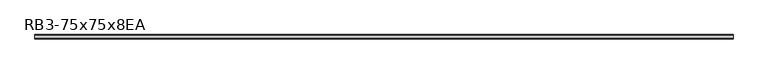
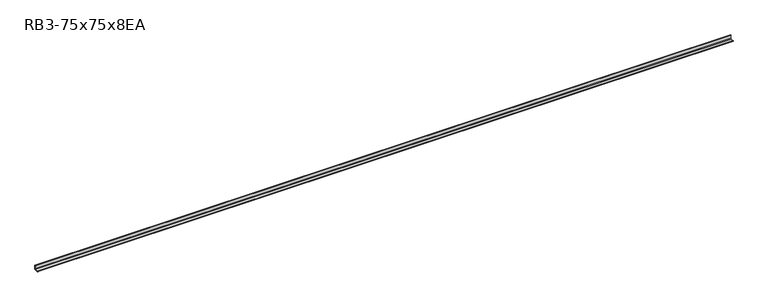
"""IFC4 building model written with IfcOpenShell, lengths in millimetres: member geometry, RB3-75x75x8EA."""

from ifc_helpers import new_model, si_unit, point, frame, frame_2d, origin, place, context, project, spatial, polyline, circle_curve, trimmed, segment, composite_curve, outline, extrude, source, transform, mapped, element, save


def rb3_75x75x8ea_92205f8a(model_context):
    return source(origin(), model_context, "Body", "SweptSolid", [
        extrude(outline(composite_curve([segment(polyline([(21.3, -21.3), (-53.7, -21.3), (-53.7, -18.3)]), True, "CONTINUOUS"), segment(trimmed(circle_curve(frame_2d((-48.7, -18.3)), 5.0), [point((-53.7, -18.3))], [point((-48.7, -13.3))], False, "CARTESIAN"), True, "CONTINUOUS"), segment(polyline([(-48.7, -13.3), (5.3, -13.3)]), True, "CONTINUOUS"), segment(trimmed(circle_curve(frame_2d((5.3, -5.3)), 8.0), [point((5.3, -13.3))], [point((13.3, -5.3))], True, "CARTESIAN"), True, "CONTINUOUS"), segment(polyline([(13.3, -5.3), (13.3, 48.7)]), True, "CONTINUOUS"), segment(trimmed(circle_curve(frame_2d((18.3, 48.7)), 5.0), [point((13.3, 48.7))], [point((18.3, 53.7))], False, "CARTESIAN"), True, "CONTINUOUS"), segment(polyline([(18.3, 53.7), (21.3, 53.7), (21.3, -21.3)]), True, "CONTINUOUS")], self_intersect=False)), frame((-6196.5, 0.0, 0.0), z_axis=(1.0, 0.0, 0.0), x_axis=(0.0, 1.0, 0.0)), (0.0, 0.0, 1.0), 12133.9090823),
    ])


if __name__ == "__main__":
    model = new_model("IFC4")
    model_context = context("Model", 3, world=origin())
    ifc_project = project(units=[si_unit("LENGTHUNIT", "METRE", prefix="MILLI")], contexts=[model_context])
    site = spatial("IfcSite", under=ifc_project)
    building = spatial("IfcBuilding", under=site)
    placement = place(None, origin())
    rb3_75x75x8ea_shape = rb3_75x75x8ea_92205f8a(model_context)
    element("IfcMember", 1, ObjectType="RB3-75x75x8EA", at=placement, inside=building, context=model_context, shape_type="MappedRepresentation", body=[
        mapped(rb3_75x75x8ea_shape, transform((0.0, 0.0, 0.0), x_axis=(1.0, 0.0, 0.0), y_axis=(0.0, 1.0, 0.0), z_axis=(0.0, 0.0, 1.0))),
    ])
    save(model, "model.ifc")
